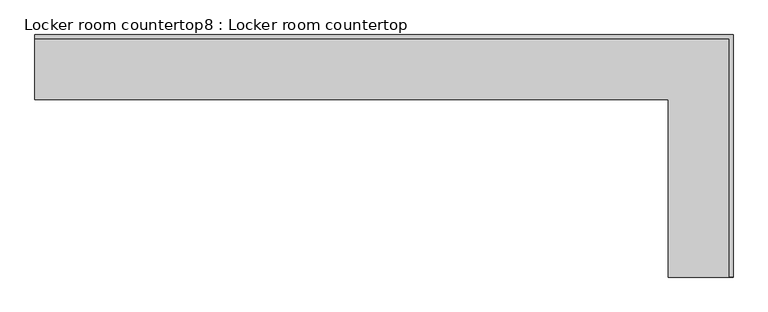
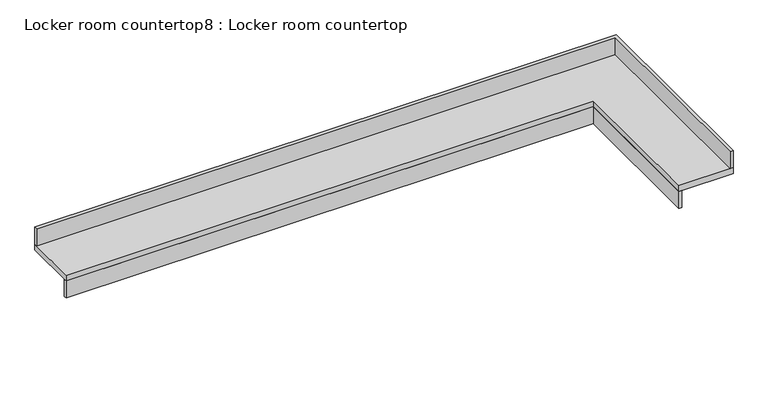
"""IFC4 building model written with IfcOpenShell, lengths in millimetres: furniture geometry, Locker room countertop8 : Locker room countertop."""

from ifc_helpers import new_model, si_unit, frame, origin, place, context, project, spatial, polyline, outline, extrude, source, transform, mapped, element, save


def locker_room_countertop8_locker_room_countertop_9d2e7906(model_context):
    return source(origin(), model_context, "Body", "SweptSolid", [
        extrude(outline(polyline([(458671.4004676, -250063.8080223), (454223.2254676, -250063.8080223), (454223.2254676, -250038.4080223), (458696.8004676, -250038.4080223), (458696.8004676, -251311.5830223), (458671.4004676, -251311.5830223), (458671.4004676, -250063.8080223)])), frame((0.0, 0.0, 660.4), z_axis=(0.0, 0.0, 1.0), x_axis=(1.0, 0.0, 0.0)), (0.0, 0.0, 1.0), 152.4),
        extrude(outline(polyline([(454223.2254676, -249632.0080223), (454223.2254676, -249606.6080223), (459128.6004676, -249606.6080223), (459128.6004676, -251310.7229922), (459103.2004676, -251310.7229922), (459103.2004676, -249632.0080223), (454223.2254676, -249632.0080223)])), frame((0.0, 0.0, 863.6), z_axis=(0.0, 0.0, 1.0), x_axis=(1.0, 0.0, 0.0)), (0.0, 0.0, 1.0), 152.4),
        extrude(outline(polyline([(454223.2254676, -250063.8080223), (454223.2254676, -249606.6080223), (459128.6004676, -249606.6080223), (459128.6004676, -251311.5830223), (458671.4004676, -251311.5830223), (458671.4004676, -250063.8080223), (454223.2254676, -250063.8080223)])), frame((0.0, 0.0, 812.8), z_axis=(0.0, 0.0, 1.0), x_axis=(1.0, 0.0, 0.0)), (0.0, 0.0, 1.0), 50.8),
    ])


if __name__ == "__main__":
    model = new_model("IFC4")
    model_context = context("Model", 3, world=origin())
    ifc_project = project(units=[si_unit("LENGTHUNIT", "METRE", prefix="MILLI")], contexts=[model_context])
    site = spatial("IfcSite", under=ifc_project)
    building = spatial("IfcBuilding", under=site)
    placement = place(None, origin())
    locker_room_countertop8_locker_room_countertop_shape = locker_room_countertop8_locker_room_countertop_9d2e7906(model_context)
    element("IfcFurniture", 1, ObjectType="Locker room countertop8 : Locker room countertop", at=placement, inside=building, context=model_context, shape_type="MappedRepresentation", body=[
        mapped(locker_room_countertop8_locker_room_countertop_shape, transform((0.0, 0.0, 0.0), x_axis=(1.0, 0.0, 0.0), y_axis=(0.0, 1.0, 0.0), z_axis=(0.0, 0.0, 1.0))),
    ])
    save(model, "model.ifc")
